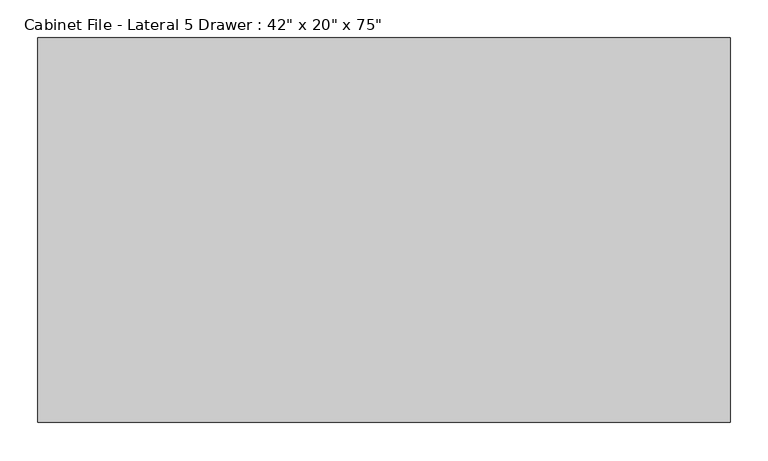
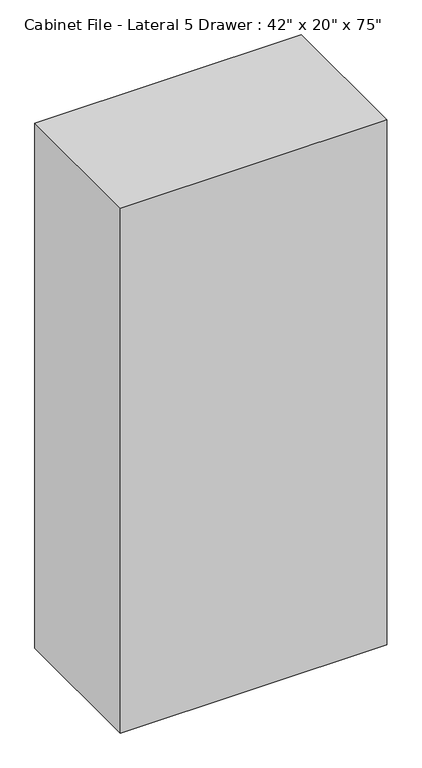
"""IFC4 building model written with IfcOpenShell, lengths in millimetres: furniture geometry."""

from ifc_helpers import new_model, si_unit, frame, origin, place, context, project, spatial, polyline, outline, extrude, faceted_brep, source, transform, mapped, element, save


def furniture_75d2d2bf(model_context):
    return source(origin(), model_context, "Body", "SolidModel", [
        extrude(outline(polyline([(1885.95, -618.1725139), (1524.0, -618.1725139), (1524.0, 258.1274861), (1885.95, 258.1274861), (1885.95, -618.1725139)]), holes=[polyline([(1549.4, -129.2225139), (1549.4, -230.8225139), (1587.5, -230.8225139), (1587.5, -129.2225139), (1549.4, -129.2225139)])]), frame((0.0, 1169.2683761, 0.0), z_axis=(0.0, 1.0, 0.0), x_axis=(0.0, 0.0, 1.0)), (0.0, 0.0, 1.0), 19.05),
        faceted_brep([(277.1774861, 680.3183761, 1905.0), (277.1774861, 1188.3183761, 1905.0), (-637.2225139, 1188.3183761, 1905.0), (-637.2225139, 680.3183761, 1905.0), (277.1774861, 680.3183761, 0.0), (-637.2225139, 680.3183761, 0.0), (-637.2225139, 1188.3183761, 0.0), (277.1774861, 1188.3183761, 0.0), (258.1274861, 1188.3183761, 76.2), (258.1274861, 1188.3183761, 1885.95), (-618.1725139, 1188.3183761, 1885.95), (-618.1725139, 1188.3183761, 76.2), (-618.1725139, 699.3683761, 76.2), (-618.1725139, 699.3683761, 1885.95), (258.1274861, 699.3683761, 1885.95), (258.1274861, 699.3683761, 76.2)], [[[0, 1, 2, 3]], [[4, 5, 6, 7]], [[3, 5, 4, 0]], [[2, 6, 5, 3]], [[1, 7, 6, 2], [8, 9, 10, 11]], [[0, 4, 7, 1]], [[12, 13, 14, 15]], [[15, 8, 11, 12]], [[14, 9, 8, 15]], [[13, 10, 9, 14]], [[12, 11, 10, 13]]]),
        extrude(outline(polyline([(76.2, -618.1725139), (76.2, 258.1274861), (438.15, 258.1274861), (438.15, -618.1725139), (76.2, -618.1725139)]), holes=[polyline([(412.75, -129.2225139), (374.65, -129.2225139), (374.65, -230.8225139), (412.75, -230.8225139), (412.75, -129.2225139)])]), frame((0.0, 1169.2683761, 0.0), z_axis=(0.0, 1.0, 0.0), x_axis=(0.0, 0.0, 1.0)), (0.0, 0.0, 1.0), 19.05),
        extrude(outline(polyline([(438.15, -618.1725139), (438.15, 258.1274861), (800.1, 258.1274861), (800.1, -618.1725139), (438.15, -618.1725139)]), holes=[polyline([(774.7, -129.2225139), (736.6, -129.2225139), (736.6, -230.8225139), (774.7, -230.8225139), (774.7, -129.2225139)])]), frame((0.0, 1169.2683761, 0.0), z_axis=(0.0, 1.0, 0.0), x_axis=(0.0, 0.0, 1.0)), (0.0, 0.0, 1.0), 19.05),
        extrude(outline(polyline([(1524.0, -618.1725139), (1162.05, -618.1725139), (1162.05, 258.1274861), (1524.0, 258.1274861), (1524.0, -618.1725139)]), holes=[polyline([(1498.6, -129.2225139), (1460.5, -129.2225139), (1460.5, -230.8225139), (1498.6, -230.8225139), (1498.6, -129.2225139)])]), frame((0.0, 1169.2683761, 0.0), z_axis=(0.0, 1.0, 0.0), x_axis=(0.0, 0.0, 1.0)), (0.0, 0.0, 1.0), 19.05),
        extrude(outline(polyline([(1162.05, -618.1725139), (800.1, -618.1725139), (800.1, 258.1274861), (1162.05, 258.1274861), (1162.05, -618.1725139)]), holes=[polyline([(1136.65, -129.2225139), (1098.55, -129.2225139), (1098.55, -230.8225139), (1136.65, -230.8225139), (1136.65, -129.2225139)])]), frame((0.0, 1169.2683761, 0.0), z_axis=(0.0, 1.0, 0.0), x_axis=(0.0, 0.0, 1.0)), (0.0, 0.0, 1.0), 19.05),
    ])


if __name__ == "__main__":
    model = new_model("IFC4")
    model_context = context("Model", 3, world=origin())
    ifc_project = project(units=[si_unit("LENGTHUNIT", "METRE", prefix="MILLI")], contexts=[model_context])
    site = spatial("IfcSite", under=ifc_project)
    building = spatial("IfcBuilding", under=site)
    placement = place(None, origin())
    furniture_shape = furniture_75d2d2bf(model_context)
    element("IfcFurniture", 1, ObjectType="Cabinet File - Lateral 5 Drawer : 42\" x 20\" x 75\"", at=placement, inside=building, context=model_context, shape_type="MappedRepresentation", body=[
        mapped(furniture_shape, transform((0.0, 0.0, 0.0), x_axis=(1.0, 0.0, 0.0), y_axis=(0.0, 1.0, 0.0), z_axis=(0.0, 0.0, 1.0))),
    ])
    save(model, "model.ifc")
